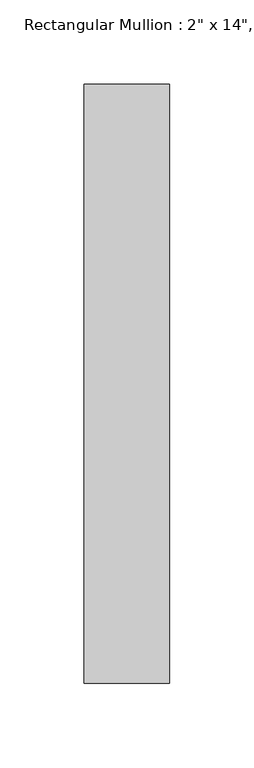
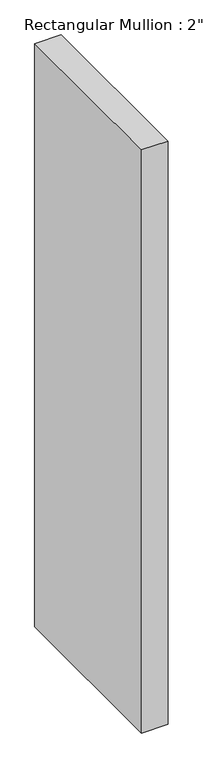
"""IFC4 building model written with IfcOpenShell, lengths in millimetres: member geometry."""

import ifcopenshell
import ifcopenshell.guid

model = None  # the IFC model being written
_history = None  # IfcOwnerHistory: only IFC2X3 demands one
_inside = {}  # id of a spatial element -> (the spatial element, [elements in it])
_under = {}  # id of a project, library or spatial element -> (it, [spatial elements below it])
_declared = {}  # id of a project -> (the project, [libraries it declares])
_typed = {}  # id of a type object -> (the type object, [elements of that type])
_made_of = {}  # id of a material, layer set ... -> (it, [elements and type objects made of it])


def new_model(schema):
    """Start an empty IFC model of exactly this schema.

    Asked for "IFC4X3", IfcOpenShell would pick the latest addendum, in which some entities
    have other attributes; the version numbers below select the first issue.
    IFC2X3 requires an IfcOwnerHistory on every rooted entity: one is made here for all.
    """
    global model, _history
    if schema == "IFC4X3":
        model = ifcopenshell.file(schema_version=(4, 3, 0, 0))
    else:
        model = ifcopenshell.file(schema=schema)
    _inside.clear()
    _under.clear()
    _declared.clear()
    _typed.clear()
    _made_of.clear()
    _history = None
    if model.schema == "IFC2X3":
        org = make("IfcOrganization", Name="unknown")
        user = make(
            "IfcPersonAndOrganization",
            ThePerson=make("IfcPerson", FamilyName="unknown"),
            TheOrganization=org,
        )
        app = make(
            "IfcApplication",
            ApplicationDeveloper=org,
            Version="unknown",
            ApplicationFullName="unknown",
            ApplicationIdentifier="unknown",
        )
        _history = make(
            "IfcOwnerHistory",
            OwningUser=user,
            OwningApplication=app,
            ChangeAction="ADDED",
            CreationDate=0,
        )
    return model


def make(cls, **values):
    """One entity of the class cls with the attributes given. An attribute that is None is left unset."""
    return model.create_entity(
        cls, **{name: value for name, value in values.items() if value is not None}
    )


def rooted(cls, **values):
    """An entity with a GlobalId (a new one), such as an element, a storey or a relation."""
    return make(cls, GlobalId=ifcopenshell.guid.new(), OwnerHistory=_history, **values)


def si_unit(unit_type, name, prefix=None):
    """IfcSIUnit, for example si_unit("LENGTHUNIT", "METRE", prefix="MILLI")."""
    return make("IfcSIUnit", UnitType=unit_type, Prefix=prefix, Name=name)


def assignment(units):
    """IfcUnitAssignment: the units of a project."""
    return None if units is None else make("IfcUnitAssignment", Units=units)


def point(xyz):
    """IfcCartesianPoint."""
    return None if xyz is None else make("IfcCartesianPoint", Coordinates=xyz)


def direction(xyz):
    """IfcDirection."""
    return None if xyz is None else make("IfcDirection", DirectionRatios=xyz)


def frame(location, z_axis=None, x_axis=None):
    """IfcAxis2Placement3D, a coordinate frame: its origin and axes. An axis left out is left unset."""
    return make(
        "IfcAxis2Placement3D",
        Location=point(location),
        Axis=direction(z_axis),
        RefDirection=direction(x_axis),
    )


def origin():
    """The frame at (0, 0, 0) with its axes left unset."""
    return frame((0.0, 0.0, 0.0))


def place(relative_to, where):
    """IfcLocalPlacement: puts the frame where relative to a parent placement (None: the world)."""
    return make(
        "IfcLocalPlacement", PlacementRelTo=relative_to, RelativePlacement=where
    )


def context(
    kind, dimensions, precision=None, world=None, true_north=None, identifier=None
):
    """IfcGeometricRepresentationContext, for example the 3D "Model" context."""
    return make(
        "IfcGeometricRepresentationContext",
        ContextIdentifier=identifier,
        ContextType=kind,
        CoordinateSpaceDimension=dimensions,
        Precision=precision,
        WorldCoordinateSystem=world,
        TrueNorth=true_north,
    )


def project(units=None, contexts=None):
    """IfcProject with its units and contexts."""
    return rooted(
        "IfcProject",
        Name="project",
        RepresentationContexts=contexts,
        UnitsInContext=assignment(units),
    )


def spatial(cls, under=None, at=None, **own):
    """A site, building, storey or space (cls), placed at a placement, below another one or the project."""
    s = rooted(cls, ObjectPlacement=at, **own)
    if under is not None:
        _under.setdefault(under.id(), (under, []))[1].append(s)
    return s


def polyline(points):
    """IfcPolyline through the points."""
    return make("IfcPolyline", Points=[point(p) for p in points])


def outline(outer, holes=None, kind="AREA"):
    """IfcArbitraryClosedProfileDef: a profile drawn as a closed curve; with holes, ...WithVoids."""
    if holes is None:
        return make("IfcArbitraryClosedProfileDef", ProfileType=kind, OuterCurve=outer)
    return make(
        "IfcArbitraryProfileDefWithVoids",
        ProfileType=kind,
        OuterCurve=outer,
        InnerCurves=holes,
    )


def extrude(swept, where, along, depth):
    """IfcExtrudedAreaSolid: the profile swept, set in the frame where, extruded along a direction by depth."""
    return make(
        "IfcExtrudedAreaSolid",
        SweptArea=swept,
        Position=where,
        ExtrudedDirection=direction(along),
        Depth=depth,
    )


def shape(context_of_items, identifier, shape_type, items):
    """IfcShapeRepresentation: the items that make up one representation, for example the "Body"."""
    return make(
        "IfcShapeRepresentation",
        ContextOfItems=context_of_items,
        RepresentationIdentifier=identifier,
        RepresentationType=shape_type,
        Items=items,
    )


def source(mapping_origin, context_of_items, identifier, shape_type, items):
    """IfcRepresentationMap: a shape defined once, which mapped items show again and again."""
    return make(
        "IfcRepresentationMap",
        MappingOrigin=mapping_origin,
        MappedRepresentation=shape(context_of_items, identifier, shape_type, items),
    )


def transform(
    local_origin,
    x_axis=None,
    y_axis=None,
    z_axis=None,
    scale=None,
    scale2=None,
    scale3=None,
    uniform=True,
):
    """IfcCartesianTransformationOperator3D, or its non-uniform kind. x_axis, y_axis, z_axis: its Axis1, 2, 3."""
    if uniform:
        return make(
            "IfcCartesianTransformationOperator3D",
            Axis1=direction(x_axis),
            Axis2=direction(y_axis),
            LocalOrigin=point(local_origin),
            Scale=scale,
            Axis3=direction(z_axis),
        )
    return make(
        "IfcCartesianTransformationOperator3DnonUniform",
        Axis1=direction(x_axis),
        Axis2=direction(y_axis),
        LocalOrigin=point(local_origin),
        Scale=scale,
        Axis3=direction(z_axis),
        Scale2=scale2,
        Scale3=scale3,
    )


def mapped(mapping_source, mapping_target):
    """IfcMappedItem: shows the shape of a source again, moved by a transform."""
    return make(
        "IfcMappedItem", MappingSource=mapping_source, MappingTarget=mapping_target
    )


def made_of(thing, what):
    """Note that an element or type object is made of a material, layer set ...; save() writes the relation."""
    if what is not None:
        _made_of.setdefault(what.id(), (what, []))[1].append(thing)
    return thing


def element(
    cls,
    number,
    at=None,
    inside=None,
    cuts=None,
    type_object=None,
    material=None,
    context=None,
    identifier="Body",
    shape_type=None,
    held_by="IfcProductDefinitionShape",
    body=None,
    shapes=None,
    **own,
):
    """One element of the class cls, such as IfcWall. Its Tag is "e" and its number.

    at: its placement. inside: the storey or other place that contains it. cuts: it is an
    opening in that element (IfcRelVoidsElement). A single representation is given by context,
    identifier, shape_type and body (its items); several are given by shapes. held_by: the class
    of the entity that holds the representations. save() writes the other relations.
    """
    e = rooted(cls, Tag="e%d" % number, ObjectPlacement=at, **own)
    if body is not None:
        shapes = [shape(context, identifier, shape_type, body)]
    if shapes is not None:
        e.Representation = make(held_by, Representations=shapes)
    if inside is not None:
        _inside.setdefault(inside.id(), (inside, []))[1].append(e)
    if cuts is not None:
        rooted(
            "IfcRelVoidsElement", RelatingBuildingElement=cuts, RelatedOpeningElement=e
        )
    if type_object is not None:
        _typed.setdefault(type_object.id(), (type_object, []))[1].append(e)
    return made_of(e, material)


def aggregate(whole, parts):
    """IfcRelAggregates: a whole, such as a stair, and the parts it consists of."""
    return rooted("IfcRelAggregates", RelatingObject=whole, RelatedObjects=parts)


def save(model, path):
    """Write the relations noted so far, then the file.

    IfcRelAggregates (storeys below a building ...), IfcRelContainedInSpatialStructure (elements
    in a storey), IfcRelDefinesByType, IfcRelAssociatesMaterial and IfcRelDeclares: one each for
    every whole, place, type object, material and project.
    """
    for whole, parts in _under.values():
        aggregate(whole, parts)
    for where, things in _inside.values():
        rooted(
            "IfcRelContainedInSpatialStructure",
            RelatedElements=things,
            RelatingStructure=where,
        )
    for kind, things in _typed.values():
        rooted("IfcRelDefinesByType", RelatedObjects=things, RelatingType=kind)
    for what, things in _made_of.values():
        rooted("IfcRelAssociatesMaterial", RelatedObjects=things, RelatingMaterial=what)
    for by, libraries in _declared.values():
        rooted("IfcRelDeclares", RelatingContext=by, RelatedDefinitions=libraries)
    model.write(path)


def member_5e535b0b(model_context):
    return source(origin(), model_context, "Body", "SweptSolid", [
        extrude(outline(polyline([(0.0, 152.4), (0.0, -203.2), (-50.8, -203.2), (-50.8, 152.4), (0.0, 152.4)])), frame((0.0, 0.0, -1182.6875), z_axis=(0.0, 0.0, 1.0), x_axis=(1.0, 0.0, 0.0)), (0.0, 0.0, 1.0), 1182.6875),
    ])


if __name__ == "__main__":
    model = new_model("IFC4")
    model_context = context("Model", 3, world=origin())
    ifc_project = project(units=[si_unit("LENGTHUNIT", "METRE", prefix="MILLI")], contexts=[model_context])
    site = spatial("IfcSite", under=ifc_project)
    building = spatial("IfcBuilding", under=site)
    placement = place(None, origin())
    member_shape = member_5e535b0b(model_context)
    element("IfcMember", 1, ObjectType="Rectangular Mullion : 2\" x 14\", Offset 1\"", at=placement, inside=building, context=model_context, shape_type="MappedRepresentation", body=[
        mapped(member_shape, transform((0.0, 0.0, 0.0), x_axis=(1.0, 0.0, 0.0), y_axis=(0.0, 1.0, 0.0), z_axis=(0.0, 0.0, 1.0))),
    ])
    save(model, "model.ifc")
